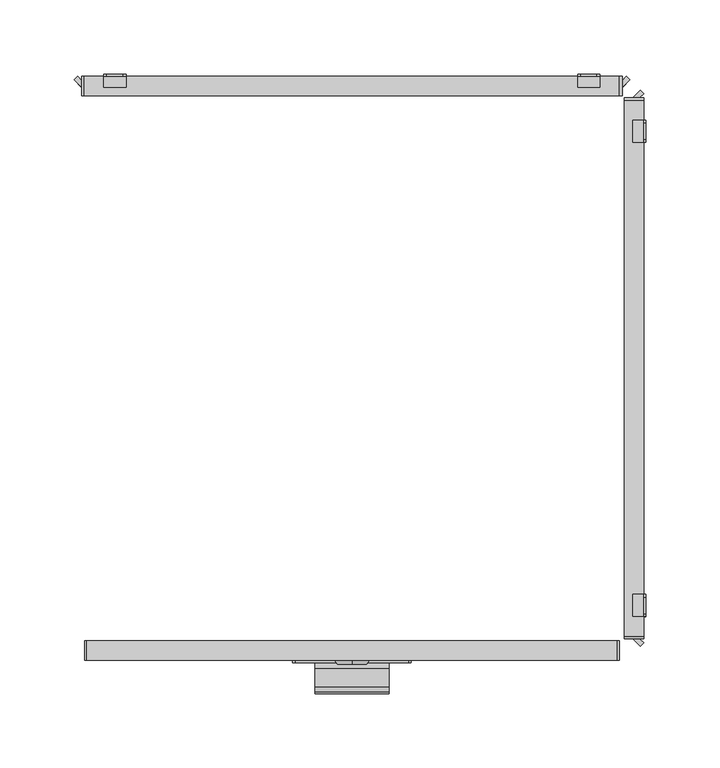
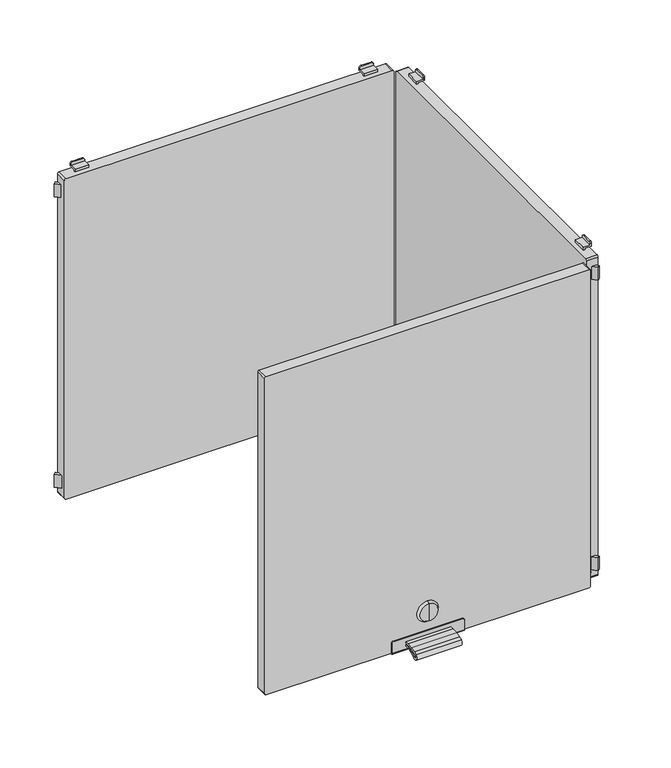
"""IFC4 building model written with IfcOpenShell, lengths in millimetres: furniture geometry."""

from ifc_helpers import new_model, si_unit, point, frame, frame_2d, origin, place, context, project, spatial, polyline, circle_curve, trimmed, segment, composite_curve, outline, extrude, source, transform, mapped, element, save
from ifc_brep_helpers import plane_surface, cylinder_surface, revolved_surface, advanced_brep


def furniture_576280f5(model_context):
    return source(origin(), model_context, "Body", "SolidModel", [
        extrude(outline(composite_curve([segment(polyline([(-202.226909, 1730.4286545), (-198.5, 1730.4286545), (-198.5, 1728.5286545), (-202.226909, 1728.5286545)]), True, "CONTINUOUS"), segment(trimmed(circle_curve(frame_2d((-202.226909, 1686.4886922)), 42.0399623), [point((-202.226909, 1728.5286545))], [point((-214.4555436, 1726.710812))], True, "CARTESIAN"), True, "CONTINUOUS"), segment(trimmed(circle_curve(frame_2d((-212.0259096, 1718.7193203)), 8.352668), [point((-214.4555436, 1726.710812))], [point((-216.9670362, 1725.4537341))], True, "CARTESIAN"), True, "CONTINUOUS"), segment(trimmed(circle_curve(frame_2d((-215.7726745, 1723.8259018)), 2.0189943), [point((-216.9670362, 1725.4537341))], [point((-214.4167634, 1722.3299595))], True, "CARTESIAN"), True, "CONTINUOUS"), segment(trimmed(circle_curve(frame_2d((-202.2269079, 1708.8812021)), 18.1510786), [point((-214.4167634, 1722.3299595))], [point((-202.2269079, 1727.0322806))], False, "CARTESIAN"), True, "CONTINUOUS"), segment(polyline([(-202.2269079, 1727.0322806), (-198.5, 1727.0322806), (-198.5, 1725.1322806), (-202.2269079, 1725.1322806)]), True, "CONTINUOUS"), segment(trimmed(circle_curve(frame_2d((-202.2269079, 1708.8812021)), 16.2510786), [point((-202.2269079, 1725.1322806))], [point((-213.1407662, 1720.9221843))], True, "CARTESIAN"), True, "CONTINUOUS"), segment(trimmed(circle_curve(frame_2d((-215.7726745, 1723.8259018)), 3.9189943), [point((-213.1407662, 1720.9221843))], [point((-218.0910053, 1726.9856263))], False, "CARTESIAN"), True, "CONTINUOUS"), segment(trimmed(circle_curve(frame_2d((-212.0259096, 1718.7193203)), 10.252668), [point((-218.0910053, 1726.9856263))], [point((-215.0082179, 1728.5286545))], False, "CARTESIAN"), True, "CONTINUOUS"), segment(trimmed(circle_curve(frame_2d((-202.226909, 1686.4886922)), 43.9399623), [point((-215.0082179, 1728.5286545))], [point((-202.226909, 1730.4286545))], False, "CARTESIAN"), True, "CONTINUOUS")], self_intersect=False)), frame((-25.0, 0.0, 0.0), z_axis=(1.0, 0.0, 0.0), x_axis=(0.0, 1.0, 0.0)), (0.0, 0.0, 1.0), 50.0),
        advanced_brep(
        [(0.0, -199.7, 1756.6837841), (0.0, -199.7, 1766.6265951), (0.0, -199.7, 1746.740973), (0.0, -197.0, 1744.8059292), (0.0, -197.0, 1768.5616389), (0.0, -197.0, 1756.6837841)],
        [
            (0, 1),
            (1, 2, circle_curve(frame((0.0, -199.7, 1756.6837841), z_axis=(0.0, -1.0, 0.0), x_axis=(0.0, 0.0, 1.0)), 9.9428111)),
            (2, 0),
            (2, 1, circle_curve(frame((0.0, -199.7, 1756.6837841), z_axis=(0.0, -1.0, 0.0), x_axis=(0.0, 0.0, 1.0)), 9.9428111)),
            (3, 4, circle_curve(frame((0.0, -197.0, 1756.6837841), z_axis=(0.0, 1.0, 0.0), x_axis=(0.0, 0.0, 1.0)), 11.8778548)),
            (4, 5),
            (5, 3),
            (4, 3, circle_curve(frame((0.0, -197.0, 1756.6837841), z_axis=(0.0, 1.0, 0.0), x_axis=(0.0, 0.0, 1.0)), 11.8778548)),
            (1, 4),
            (3, 2),
        ],
        [
            plane_surface(frame((0.0, -199.7, 1756.6837841), z_axis=(0.0, -1.0, 0.0), x_axis=(0.0, 0.0, 1.0))),
            plane_surface(frame((0.0, -197.0, 1756.6837841), z_axis=(0.0, 1.0, 0.0), x_axis=(0.0, 0.0, 1.0))),
            revolved_surface(polyline([(0.0, -197.0, 1768.5616389), (0.0, -199.7, 1766.6265951)]), (0.0, -202.2563621, 1756.6837841), (0.0, -1.0, 0.0)),
        ],
        [
            (0, [[1, 2, 3]]),
            (0, [[-3, 4, -1]]),
            (1, [[5, 6, 7]]),
            (1, [[8, -7, -6]]),
            (2, [[-2, 9, -5, 10]]),
            (2, [[-4, -10, -8, -9]]),
        ],
    ),
        advanced_brep(
        [(38.2, -198.5, 1735.0), (-38.2, -198.5, 1735.0), (-40.0, -198.5, 1733.2), (-40.0, -198.5, 1722.0), (40.0, -198.5, 1722.0), (40.0, -198.5, 1733.2), (38.2, -197.0, 1735.0), (40.0, -197.0, 1733.2), (40.0, -197.0, 1721.5), (-40.0, -197.0, 1721.5), (-40.0, -197.0, 1733.2), (-38.2, -197.0, 1735.0), (-40.0, -184.0, 1721.5), (-40.0, -184.0, 1720.0), (-40.0, -196.5, 1720.0), (40.0, -196.5, 1720.0), (40.0, -184.0, 1720.0), (40.0, -184.0, 1721.5)],
        [
            (0, 1),
            (1, 2, circle_curve(frame((-38.2, -198.5, 1733.2), z_axis=(0.0, -1.0, 0.0), x_axis=(1.0, 0.0, 0.0)), 1.8)),
            (2, 3),
            (3, 4),
            (4, 5),
            (5, 0, circle_curve(frame((38.2, -198.5, 1733.2), z_axis=(0.0, -1.0, 0.0), x_axis=(1.0, 0.0, 0.0)), 1.8)),
            (6, 7, circle_curve(frame((38.2, -197.0, 1733.2), z_axis=(0.0, 1.0, 0.0), x_axis=(1.0, 0.0, 0.0)), 1.8)),
            (7, 8),
            (8, 9),
            (9, 10),
            (10, 11, circle_curve(frame((-38.2, -197.0, 1733.2), z_axis=(0.0, 1.0, 0.0), x_axis=(1.0, 0.0, 0.0)), 1.8)),
            (11, 6),
            (0, 6),
            (11, 1),
            (10, 2),
            (9, 12),
            (12, 13),
            (13, 14),
            (14, 3, circle_curve(frame((-40.0, -196.5, 1722.0), z_axis=(-1.0, 0.0, 0.0), x_axis=(0.0, 1.0, 0.0)), 2.0)),
            (4, 15, circle_curve(frame((40.0, -196.5, 1722.0), z_axis=(1.0, 0.0, 0.0), x_axis=(0.0, 1.0, 0.0)), 2.0)),
            (15, 16),
            (16, 17),
            (17, 8),
            (7, 5),
            (15, 14),
            (13, 16),
            (12, 17),
        ],
        [
            plane_surface(frame((-40.0, -198.5, 1735.0), z_axis=(0.0, -1.0, 0.0), x_axis=(-1.0, 0.0, 0.0))),
            plane_surface(frame((-40.0, -197.0, 1735.0), z_axis=(0.0, 1.0, 0.0), x_axis=(1.0, 0.0, 0.0))),
            plane_surface(frame((38.2, -198.5, 1735.0), z_axis=(0.0, 0.0, 1.0), x_axis=(0.0, 1.0, 0.0))),
            cylinder_surface(frame((-38.2, -197.0, 1733.2), z_axis=(0.0, -1.0, 0.0), x_axis=(1.0, 0.0, 0.0)), 1.8),
            plane_surface(frame((-40.0, -198.5, 1733.2), z_axis=(-1.0, 0.0, 0.0), x_axis=(0.0, 1.0, 0.0))),
            plane_surface(frame((40.0, -198.5, 1724.5), z_axis=(1.0, 0.0, 0.0), x_axis=(0.0, 1.0, 0.0))),
            cylinder_surface(frame((38.2, -197.0, 1733.2), z_axis=(0.0, -1.0, 0.0), x_axis=(1.0, 0.0, 0.0)), 1.8),
            plane_surface(frame((40.0, -196.5, 1720.0), z_axis=(0.0, 0.0, -1.0), x_axis=(-1.0, 0.0, 0.0))),
            plane_surface(frame((40.0, -184.0, 1720.0), z_axis=(0.0, 1.0, 0.0), x_axis=(-1.0, 0.0, 0.0))),
            plane_surface(frame((40.0, -184.0, 1721.5), z_axis=(0.0, 0.0, 1.0), x_axis=(-1.0, 0.0, 0.0))),
            cylinder_surface(frame((-40.0, -196.5, 1722.0), z_axis=(1.0, 0.0, 0.0), x_axis=(0.0, 1.0, 0.0)), 2.0),
        ],
        [
            (0, [[1, 2, 3, 4, 5, 6]]),
            (1, [[7, 8, 9, 10, 11, 12]]),
            (2, [[-1, 13, -12, 14]]),
            (3, [[-2, -14, -11, 15]]),
            (4, [[-3, -15, -10, 16, 17, 18, 19]]),
            (5, [[-5, 20, 21, 22, 23, -8, 24]]),
            (6, [[-6, -24, -7, -13]]),
            (7, [[-21, 25, -18, 26]]),
            (8, [[-22, -26, -17, 27]]),
            (9, [[-23, -27, -16, -9]]),
            (10, [[-20, -4, -19, -25]]),
        ],
    ),
        extrude(outline(composite_curve([segment(polyline([(2093.5, 179.0), (2093.5, -179.0)]), True, "CONTINUOUS"), segment(trimmed(circle_curve(frame_2d((2092.0, -179.0)), 1.5), [point((2093.5, -179.0))], [point((2092.0, -180.5))], False, "CARTESIAN"), True, "CONTINUOUS"), segment(polyline([(2092.0, -180.5), (1723.0, -180.5)]), True, "CONTINUOUS"), segment(trimmed(circle_curve(frame_2d((1723.0, -179.0)), 1.5), [point((1723.0, -180.5))], [point((1721.5, -179.0))], False, "CARTESIAN"), True, "CONTINUOUS"), segment(polyline([(1721.5, -179.0), (1721.5, 179.0)]), True, "CONTINUOUS"), segment(trimmed(circle_curve(frame_2d((1723.0, 179.0)), 1.5), [point((1721.5, 179.0))], [point((1723.0, 180.5))], False, "CARTESIAN"), True, "CONTINUOUS"), segment(polyline([(1723.0, 180.5), (2092.0, 180.5)]), True, "CONTINUOUS"), segment(trimmed(circle_curve(frame_2d((2092.0, 179.0)), 1.5), [point((2092.0, 180.5))], [point((2093.5, 179.0))], False, "CARTESIAN"), True, "CONTINUOUS")], self_intersect=False)), frame((0.0, -197.0, 0.0), z_axis=(0.0, 1.0, 0.0), x_axis=(0.0, 0.0, 1.0)), (0.0, 0.0, 1.0), 13.0),
        advanced_brep(
        [(152.5, 197.0, 1715.5), (154.5, 197.0, 1713.5), (165.5, 197.0, 1713.5), (167.5, 197.0, 1715.5), (167.5, 197.0, 1717.0), (152.5, 197.0, 1717.0), (152.5, 198.5, 1718.5), (167.5, 198.5, 1718.5), (167.5, 198.5, 1715.5), (165.5, 198.5, 1713.5), (154.5, 198.5, 1713.5), (152.5, 198.5, 1715.5), (152.5, 189.5011497, 1717.0), (152.5, 189.5011497, 1720.0), (152.5, 191.0011497, 1720.0), (152.5, 191.0011497, 1718.5), (167.5, 191.0011497, 1718.5), (167.5, 191.0011497, 1720.0), (167.5, 189.5011497, 1720.0), (167.5, 189.5011497, 1717.0)],
        [
            (0, 1, circle_curve(frame((154.5, 197.0, 1715.5), z_axis=(0.0, -1.0, 0.0), x_axis=(1.0, 0.0, 0.0)), 2.0)),
            (1, 2),
            (2, 3, circle_curve(frame((165.5, 197.0, 1715.5), z_axis=(0.0, -1.0, 0.0), x_axis=(1.0, 0.0, 0.0)), 2.0)),
            (3, 4),
            (4, 5),
            (5, 0),
            (6, 7),
            (7, 8),
            (8, 9, circle_curve(frame((165.5, 198.5, 1715.5), z_axis=(0.0, 1.0, 0.0), x_axis=(1.0, 0.0, 0.0)), 2.0)),
            (9, 10),
            (10, 11, circle_curve(frame((154.5, 198.5, 1715.5), z_axis=(0.0, 1.0, 0.0), x_axis=(1.0, 0.0, 0.0)), 2.0)),
            (11, 6),
            (11, 0),
            (5, 12),
            (12, 13),
            (13, 14),
            (14, 15),
            (15, 6),
            (10, 1),
            (9, 2),
            (8, 3),
            (7, 16),
            (16, 17),
            (17, 18),
            (18, 19),
            (19, 4),
            (15, 16),
            (12, 19),
            (18, 13),
            (17, 14),
        ],
        [
            plane_surface(frame((152.5, 197.0, 1717.0), z_axis=(0.0, -1.0, 0.0), x_axis=(0.0, 0.0, -1.0))),
            plane_surface(frame((152.5, 198.5, 1717.0), z_axis=(0.0, 1.0, 0.0), x_axis=(0.0, 0.0, 1.0))),
            plane_surface(frame((152.5, 197.0, 1718.5), z_axis=(-1.0, 0.0, 0.0), x_axis=(0.0, 1.0, 0.0))),
            cylinder_surface(frame((154.5, 198.5, 1715.5), z_axis=(0.0, -1.0, 0.0), x_axis=(1.0, 0.0, 0.0)), 2.0),
            plane_surface(frame((154.5, 197.0, 1713.5), z_axis=(0.0, 0.0, -1.0), x_axis=(0.0, 1.0, 0.0))),
            cylinder_surface(frame((165.5, 198.5, 1715.5), z_axis=(0.0, -1.0, 0.0), x_axis=(1.0, 0.0, 0.0)), 2.0),
            plane_surface(frame((167.5, 197.0, 1715.5), z_axis=(1.0, 0.0, 0.0), x_axis=(0.0, 1.0, 0.0))),
            plane_surface(frame((167.5, 197.0, 1718.5), z_axis=(0.0, 0.0, 1.0), x_axis=(0.0, 1.0, 0.0))),
            plane_surface(frame((152.5, 189.5011497, 1717.0), z_axis=(0.0, -1.0, 0.0), x_axis=(1.0, 0.0, 0.0))),
            plane_surface(frame((152.5, 189.5011497, 1720.0), z_axis=(0.0, 0.0, 1.0), x_axis=(1.0, 0.0, 0.0))),
            plane_surface(frame((152.5, 191.0011497, 1720.0), z_axis=(0.0, 1.0, 0.0), x_axis=(1.0, 0.0, 0.0))),
            plane_surface(frame((152.5, 197.0, 1717.0), z_axis=(0.0, 0.0, -1.0), x_axis=(1.0, 0.0, 0.0))),
        ],
        [
            (0, [[1, 2, 3, 4, 5, 6]]),
            (1, [[7, 8, 9, 10, 11, 12]]),
            (2, [[-12, 13, -6, 14, 15, 16, 17, 18]]),
            (3, [[-1, -13, -11, 19]]),
            (4, [[-2, -19, -10, 20]]),
            (5, [[-3, -20, -9, 21]]),
            (6, [[-8, 22, 23, 24, 25, 26, -4, -21]]),
            (7, [[-22, -7, -18, 27]]),
            (8, [[-15, 28, -25, 29]]),
            (9, [[-16, -29, -24, 30]]),
            (10, [[-17, -30, -23, -27]]),
            (11, [[-14, -5, -26, -28]]),
        ],
    ),
        advanced_brep(
        [(-167.5, 197.0, 1715.5), (-165.5, 197.0, 1713.5), (-154.5, 197.0, 1713.5), (-152.5, 197.0, 1715.5), (-152.5, 197.0, 1717.0), (-167.5, 197.0, 1717.0), (-152.5, 198.5, 1718.5), (-152.5, 198.5, 1715.5), (-154.5, 198.5, 1713.5), (-165.5, 198.5, 1713.5), (-167.5, 198.5, 1715.5), (-167.5, 198.5, 1718.5), (-167.5, 191.0011497, 1718.5), (-152.5, 191.0011497, 1718.5), (-167.5, 189.5011497, 1717.0), (-167.5, 189.5011497, 1720.0), (-167.5, 191.0011497, 1720.0), (-152.5, 191.0011497, 1720.0), (-152.5, 189.5011497, 1720.0), (-152.5, 189.5011497, 1717.0)],
        [
            (0, 1, circle_curve(frame((-165.5, 197.0, 1715.5), z_axis=(0.0, -1.0, 0.0), x_axis=(1.0, 0.0, 0.0)), 2.0)),
            (1, 2),
            (2, 3, circle_curve(frame((-154.5, 197.0, 1715.5), z_axis=(0.0, -1.0, 0.0), x_axis=(1.0, 0.0, 0.0)), 2.0)),
            (3, 4),
            (4, 5),
            (5, 0),
            (6, 7),
            (7, 8, circle_curve(frame((-154.5, 198.5, 1715.5), z_axis=(0.0, 1.0, 0.0), x_axis=(1.0, 0.0, 0.0)), 2.0)),
            (8, 9),
            (9, 10, circle_curve(frame((-165.5, 198.5, 1715.5), z_axis=(0.0, 1.0, 0.0), x_axis=(1.0, 0.0, 0.0)), 2.0)),
            (10, 11),
            (11, 6),
            (11, 12),
            (12, 13),
            (13, 6),
            (10, 0),
            (5, 14),
            (14, 15),
            (15, 16),
            (16, 12),
            (9, 1),
            (8, 2),
            (7, 3),
            (13, 17),
            (17, 18),
            (18, 19),
            (19, 4),
            (18, 15),
            (14, 19),
            (17, 16),
        ],
        [
            plane_surface(frame((152.5, 197.0, 1717.0), z_axis=(0.0, -1.0, 0.0), x_axis=(0.0, 0.0, -1.0))),
            plane_surface(frame((152.5, 198.5, 1717.0), z_axis=(0.0, 1.0, 0.0), x_axis=(0.0, 0.0, 1.0))),
            plane_surface(frame((-152.5, 197.0, 1718.5), z_axis=(0.0, 0.0, 1.0), x_axis=(0.0, 1.0, 0.0))),
            plane_surface(frame((-167.5, 197.0, 1718.5), z_axis=(-1.0, 0.0, 0.0), x_axis=(0.0, 1.0, 0.0))),
            cylinder_surface(frame((-165.5, 200.0, 1715.5), z_axis=(0.0, -1.0, 0.0), x_axis=(1.0, 0.0, 0.0)), 2.0),
            plane_surface(frame((-165.5, 197.0, 1713.5), z_axis=(0.0, 0.0, -1.0), x_axis=(0.0, 1.0, 0.0))),
            cylinder_surface(frame((-154.5, 200.0, 1715.5), z_axis=(0.0, -1.0, 0.0), x_axis=(1.0, 0.0, 0.0)), 2.0),
            plane_surface(frame((-152.5, 197.0, 1715.5), z_axis=(1.0, 0.0, 0.0), x_axis=(0.0, 1.0, 0.0))),
            plane_surface(frame((-152.5, 189.5011497, 1720.0), z_axis=(0.0, -1.0, 0.0), x_axis=(-1.0, 0.0, 0.0))),
            plane_surface(frame((-152.5, 191.0011497, 1720.0), z_axis=(0.0, 0.0, 1.0), x_axis=(-1.0, 0.0, 0.0))),
            plane_surface(frame((-152.5, 191.0011497, 1718.5), z_axis=(0.0, 1.0, 0.0), x_axis=(-1.0, 0.0, 0.0))),
            plane_surface(frame((-152.5, 189.5011497, 1717.0), z_axis=(0.0, 0.0, -1.0), x_axis=(-1.0, 0.0, 0.0))),
        ],
        [
            (0, [[1, 2, 3, 4, 5, 6]]),
            (1, [[7, 8, 9, 10, 11, 12]]),
            (2, [[-12, 13, 14, 15]]),
            (3, [[-11, 16, -6, 17, 18, 19, 20, -13]]),
            (4, [[-1, -16, -10, 21]]),
            (5, [[-2, -21, -9, 22]]),
            (6, [[-3, -22, -8, 23]]),
            (7, [[-7, -15, 24, 25, 26, 27, -4, -23]]),
            (8, [[-26, 28, -18, 29]]),
            (9, [[-25, 30, -19, -28]]),
            (10, [[-24, -14, -20, -30]]),
            (11, [[-27, -29, -17, -5]]),
        ],
    ),
        advanced_brep(
        [(167.5, 197.0, 2099.5), (165.5, 197.0, 2101.5), (154.5, 197.0, 2101.5), (152.5, 197.0, 2099.5), (152.5, 197.0, 2098.0), (167.5, 197.0, 2098.0), (152.5, 198.5, 2096.5), (152.5, 198.5, 2099.5), (154.5, 198.5, 2101.5), (165.5, 198.5, 2101.5), (167.5, 198.5, 2099.5), (167.5, 198.5, 2096.5), (152.5, 189.5011497, 2098.0), (152.5, 191.0011497, 2096.5), (152.5, 191.0011497, 2095.0), (152.5, 189.5011497, 2095.0), (167.5, 189.5011497, 2098.0), (167.5, 189.5011497, 2095.0), (167.5, 191.0011497, 2095.0), (167.5, 191.0011497, 2096.5)],
        [
            (0, 1, circle_curve(frame((165.5, 197.0, 2099.5), z_axis=(0.0, -1.0, 0.0), x_axis=(1.0, 0.0, 0.0)), 2.0)),
            (1, 2),
            (2, 3, circle_curve(frame((154.5, 197.0, 2099.5), z_axis=(0.0, -1.0, 0.0), x_axis=(1.0, 0.0, 0.0)), 2.0)),
            (3, 4),
            (4, 5),
            (5, 0),
            (6, 7),
            (7, 8, circle_curve(frame((154.5, 198.5, 2099.5), z_axis=(0.0, 1.0, 0.0), x_axis=(1.0, 0.0, 0.0)), 2.0)),
            (8, 9),
            (9, 10, circle_curve(frame((165.5, 198.5, 2099.5), z_axis=(0.0, 1.0, 0.0), x_axis=(1.0, 0.0, 0.0)), 2.0)),
            (10, 11),
            (11, 6),
            (12, 4),
            (3, 7),
            (6, 13),
            (13, 14),
            (14, 15),
            (15, 12),
            (16, 17),
            (17, 18),
            (18, 19),
            (19, 11),
            (10, 0),
            (5, 16),
            (19, 13),
            (9, 1),
            (8, 2),
            (12, 16),
            (18, 14),
            (17, 15),
        ],
        [
            plane_surface(frame((152.5, 197.0, 1717.0), z_axis=(0.0, -1.0, 0.0), x_axis=(0.0, 0.0, -1.0))),
            plane_surface(frame((152.5, 198.5, 1717.0), z_axis=(0.0, 1.0, 0.0), x_axis=(0.0, 0.0, 1.0))),
            plane_surface(frame((152.5, 197.0, 1718.5), z_axis=(-1.0, 0.0, 0.0), x_axis=(0.0, 1.0, 0.0))),
            plane_surface(frame((167.5, 197.0, 1715.5), z_axis=(1.0, 0.0, 0.0), x_axis=(0.0, 1.0, 0.0))),
            plane_surface(frame((152.5, 197.0, 2096.5), z_axis=(0.0, 0.0, -1.0), x_axis=(0.0, 1.0, 0.0))),
            cylinder_surface(frame((165.5, 200.0, 2099.5), z_axis=(0.0, -1.0, 0.0), x_axis=(1.0, 0.0, 0.0)), 2.0),
            plane_surface(frame((165.5, 197.0, 2101.5), z_axis=(0.0, 0.0, 1.0), x_axis=(0.0, 1.0, 0.0))),
            cylinder_surface(frame((154.5, 200.0, 2099.5), z_axis=(0.0, -1.0, 0.0), x_axis=(1.0, 0.0, 0.0)), 2.0),
            plane_surface(frame((152.5, 189.5011497, 2098.0), z_axis=(0.0, 0.0, 1.0), x_axis=(1.0, 0.0, 0.0))),
            plane_surface(frame((152.5, 191.0011497, 2096.5), z_axis=(0.0, 1.0, 0.0), x_axis=(1.0, 0.0, 0.0))),
            plane_surface(frame((152.5, 191.0011497, 2095.0), z_axis=(0.0, 0.0, -1.0), x_axis=(1.0, 0.0, 0.0))),
            plane_surface(frame((152.5, 189.5011497, 2095.0), z_axis=(0.0, -1.0, 0.0), x_axis=(1.0, 0.0, 0.0))),
        ],
        [
            (0, [[1, 2, 3, 4, 5, 6]]),
            (1, [[7, 8, 9, 10, 11, 12]]),
            (2, [[13, -4, 14, -7, 15, 16, 17, 18]]),
            (3, [[19, 20, 21, 22, -11, 23, -6, 24]]),
            (4, [[-15, -12, -22, 25]]),
            (5, [[-1, -23, -10, 26]]),
            (6, [[-2, -26, -9, 27]]),
            (7, [[-3, -27, -8, -14]]),
            (8, [[-13, 28, -24, -5]]),
            (9, [[-16, -25, -21, 29]]),
            (10, [[-17, -29, -20, 30]]),
            (11, [[-18, -30, -19, -28]]),
        ],
    ),
        advanced_brep(
        [(-152.5, 197.0, 2099.5), (-154.5, 197.0, 2101.5), (-165.5, 197.0, 2101.5), (-167.5, 197.0, 2099.5), (-167.5, 197.0, 2098.0), (-152.5, 197.0, 2098.0), (-152.5, 198.5, 2096.5), (-167.5, 198.5, 2096.5), (-167.5, 198.5, 2099.5), (-165.5, 198.5, 2101.5), (-154.5, 198.5, 2101.5), (-152.5, 198.5, 2099.5), (-167.5, 191.0011497, 2096.5), (-167.5, 191.0011497, 2095.0), (-167.5, 189.5011497, 2095.0), (-167.5, 189.5011497, 2098.0), (-152.5, 189.5011497, 2098.0), (-152.5, 189.5011497, 2095.0), (-152.5, 191.0011497, 2095.0), (-152.5, 191.0011497, 2096.5)],
        [
            (0, 1, circle_curve(frame((-154.5, 197.0, 2099.5), z_axis=(0.0, -1.0, 0.0), x_axis=(1.0, 0.0, 0.0)), 2.0)),
            (1, 2),
            (2, 3, circle_curve(frame((-165.5, 197.0, 2099.5), z_axis=(0.0, -1.0, 0.0), x_axis=(1.0, 0.0, 0.0)), 2.0)),
            (3, 4),
            (4, 5),
            (5, 0),
            (6, 7),
            (7, 8),
            (8, 9, circle_curve(frame((-165.5, 198.5, 2099.5), z_axis=(0.0, 1.0, 0.0), x_axis=(1.0, 0.0, 0.0)), 2.0)),
            (9, 10),
            (10, 11, circle_curve(frame((-154.5, 198.5, 2099.5), z_axis=(0.0, 1.0, 0.0), x_axis=(1.0, 0.0, 0.0)), 2.0)),
            (11, 6),
            (7, 12),
            (12, 13),
            (13, 14),
            (14, 15),
            (15, 4),
            (3, 8),
            (11, 0),
            (5, 16),
            (16, 17),
            (17, 18),
            (18, 19),
            (19, 6),
            (10, 1),
            (9, 2),
            (19, 12),
            (15, 16),
            (18, 13),
            (17, 14),
        ],
        [
            plane_surface(frame((152.5, 197.0, 1717.0), z_axis=(0.0, -1.0, 0.0), x_axis=(0.0, 0.0, -1.0))),
            plane_surface(frame((152.5, 198.5, 1717.0), z_axis=(0.0, 1.0, 0.0), x_axis=(0.0, 0.0, 1.0))),
            plane_surface(frame((-167.5, 197.0, 1718.5), z_axis=(-1.0, 0.0, 0.0), x_axis=(0.0, 1.0, 0.0))),
            plane_surface(frame((-152.5, 197.0, 1715.5), z_axis=(1.0, 0.0, 0.0), x_axis=(0.0, 1.0, 0.0))),
            cylinder_surface(frame((-154.5, 200.0, 2099.5), z_axis=(0.0, -1.0, 0.0), x_axis=(1.0, 0.0, 0.0)), 2.0),
            plane_surface(frame((-154.5, 197.0, 2101.5), z_axis=(0.0, 0.0, 1.0), x_axis=(0.0, 1.0, 0.0))),
            cylinder_surface(frame((-165.5, 200.0, 2099.5), z_axis=(0.0, -1.0, 0.0), x_axis=(1.0, 0.0, 0.0)), 2.0),
            plane_surface(frame((-167.5, 197.0, 2096.5), z_axis=(0.0, 0.0, -1.0), x_axis=(0.0, 1.0, 0.0))),
            plane_surface(frame((-152.5, 197.0, 2098.0), z_axis=(0.0, 0.0, 1.0), x_axis=(-1.0, 0.0, 0.0))),
            plane_surface(frame((-152.5, 191.0011497, 2095.0), z_axis=(0.0, 1.0, 0.0), x_axis=(-1.0, 0.0, 0.0))),
            plane_surface(frame((-152.5, 189.5011497, 2095.0), z_axis=(0.0, 0.0, -1.0), x_axis=(-1.0, 0.0, 0.0))),
            plane_surface(frame((-152.5, 189.5011497, 2098.0), z_axis=(0.0, -1.0, 0.0), x_axis=(-1.0, 0.0, 0.0))),
        ],
        [
            (0, [[1, 2, 3, 4, 5, 6]]),
            (1, [[7, 8, 9, 10, 11, 12]]),
            (2, [[-8, 13, 14, 15, 16, 17, -4, 18]]),
            (3, [[-12, 19, -6, 20, 21, 22, 23, 24]]),
            (4, [[-1, -19, -11, 25]]),
            (5, [[-2, -25, -10, 26]]),
            (6, [[-3, -26, -9, -18]]),
            (7, [[-7, -24, 27, -13]]),
            (8, [[-20, -5, -17, 28]]),
            (9, [[-23, 29, -14, -27]]),
            (10, [[-22, 30, -15, -29]]),
            (11, [[-21, -28, -16, -30]]),
        ],
    ),
        extrude(outline(polyline([(-185.3223305, 197.0), (-182.5, 194.1776695), (-182.5, 189.5011497), (-187.6605904, 194.6617401), (-185.3223305, 197.0)])), frame((0.0, 0.0, 1730.0), z_axis=(0.0, 0.0, 1.0), x_axis=(1.0, 0.0, 0.0)), (0.0, 0.0, 1.0), 15.0),
        extrude(outline(polyline([(185.3223305, 197.0), (187.6605904, 194.6617401), (182.5, 189.5011497), (182.5, 194.1776695), (185.3223305, 197.0)])), frame((0.0, 0.0, 1730.0), z_axis=(0.0, 0.0, 1.0), x_axis=(1.0, 0.0, 0.0)), (0.0, 0.0, 1.0), 15.0),
        extrude(outline(composite_curve([segment(trimmed(circle_curve(frame_2d((2093.2, 180.7)), 1.8), [point((2093.2, 182.5))], [point((2095.0, 180.7))], False, "CARTESIAN"), True, "CONTINUOUS"), segment(polyline([(2095.0, 180.7), (2095.0, -180.7)]), True, "CONTINUOUS"), segment(trimmed(circle_curve(frame_2d((2093.2, -180.7)), 1.8), [point((2095.0, -180.7))], [point((2093.2, -182.5))], False, "CARTESIAN"), True, "CONTINUOUS"), segment(polyline([(2093.2, -182.5), (1721.8, -182.5)]), True, "CONTINUOUS"), segment(trimmed(circle_curve(frame_2d((1721.8, -180.7)), 1.8), [point((1721.8, -182.5))], [point((1720.0, -180.7))], False, "CARTESIAN"), True, "CONTINUOUS"), segment(polyline([(1720.0, -180.7), (1720.0, 180.7)]), True, "CONTINUOUS"), segment(trimmed(circle_curve(frame_2d((1721.8, 180.7)), 1.8), [point((1720.0, 180.7))], [point((1721.8, 182.5))], False, "CARTESIAN"), True, "CONTINUOUS"), segment(polyline([(1721.8, 182.5), (2093.2, 182.5)]), True, "CONTINUOUS")], self_intersect=False)), frame((0.0, 183.999795, 0.0), z_axis=(0.0, 1.0, 0.0), x_axis=(0.0, 0.0, 1.0)), (0.0, 0.0, 1.0), 13.000205),
        extrude(outline(polyline([(-185.3223305, 197.0), (-182.5, 194.1776695), (-182.5, 189.5011497), (-187.6605904, 194.6617401), (-185.3223305, 197.0)])), frame((0.0, 0.0, 2070.0), z_axis=(0.0, 0.0, 1.0), x_axis=(1.0, 0.0, 0.0)), (0.0, 0.0, 1.0), 15.0),
        extrude(outline(polyline([(185.3223305, 197.0), (187.6605904, 194.6617401), (182.5, 189.5011497), (182.5, 194.1776695), (185.3223305, 197.0)])), frame((0.0, 0.0, 2070.0), z_axis=(0.0, 0.0, 1.0), x_axis=(1.0, 0.0, 0.0)), (0.0, 0.0, 1.0), 15.0),
        advanced_brep(
        [(197.0, 152.5, 1715.5), (197.0, 152.5, 1717.0), (197.0, 167.5, 1717.0), (197.0, 167.5, 1715.5), (197.0, 165.5, 1713.5), (197.0, 154.5, 1713.5), (198.5, 152.5, 1718.5), (198.5, 152.5, 1715.5), (198.5, 154.5, 1713.5), (198.5, 165.5, 1713.5), (198.5, 167.5, 1715.5), (198.5, 167.5, 1718.5), (191.0011497, 152.5, 1718.5), (191.0011497, 152.5, 1720.0), (189.5011497, 152.5, 1720.0), (189.5011497, 152.5, 1717.0), (189.5011497, 167.5, 1717.0), (189.5011497, 167.5, 1720.0), (191.0011497, 167.5, 1720.0), (191.0011497, 167.5, 1718.5)],
        [
            (0, 1),
            (1, 2),
            (2, 3),
            (3, 4, circle_curve(frame((197.0, 165.5, 1715.5), z_axis=(-1.0, 0.0, 0.0), x_axis=(0.0, 1.0, 0.0)), 2.0)),
            (4, 5),
            (5, 0, circle_curve(frame((197.0, 154.5, 1715.5), z_axis=(-1.0, 0.0, 0.0), x_axis=(0.0, 1.0, 0.0)), 2.0)),
            (6, 7),
            (7, 8, circle_curve(frame((198.5, 154.5, 1715.5), z_axis=(1.0, 0.0, 0.0), x_axis=(0.0, 1.0, 0.0)), 2.0)),
            (8, 9),
            (9, 10, circle_curve(frame((198.5, 165.5, 1715.5), z_axis=(1.0, 0.0, 0.0), x_axis=(0.0, 1.0, 0.0)), 2.0)),
            (10, 11),
            (11, 6),
            (6, 12),
            (12, 13),
            (13, 14),
            (14, 15),
            (15, 1),
            (0, 7),
            (5, 8),
            (4, 9),
            (3, 10),
            (2, 16),
            (16, 17),
            (17, 18),
            (18, 19),
            (19, 11),
            (19, 12),
            (14, 17),
            (16, 15),
            (13, 18),
        ],
        [
            plane_surface(frame((197.0, 152.5, 1717.0), z_axis=(-1.0, 0.0, 0.0), x_axis=(0.0, 0.0, -1.0))),
            plane_surface(frame((198.5, 152.5, 1717.0), z_axis=(1.0, 0.0, 0.0), x_axis=(0.0, 0.0, 1.0))),
            plane_surface(frame((197.0, 152.5, 1718.5), z_axis=(0.0, -1.0, 0.0), x_axis=(1.0, 0.0, 0.0))),
            cylinder_surface(frame((198.5, 154.5, 1715.5), z_axis=(-1.0, 0.0, 0.0), x_axis=(0.0, 1.0, 0.0)), 2.0),
            plane_surface(frame((197.0, 154.5, 1713.5), z_axis=(0.0, 0.0, -1.0), x_axis=(1.0, 0.0, 0.0))),
            cylinder_surface(frame((198.5, 165.5, 1715.5), z_axis=(-1.0, 0.0, 0.0), x_axis=(0.0, 1.0, 0.0)), 2.0),
            plane_surface(frame((197.0, 167.5, 1715.5), z_axis=(0.0, 1.0, 0.0), x_axis=(1.0, 0.0, 0.0))),
            plane_surface(frame((197.0, 167.5, 1718.5), z_axis=(0.0, 0.0, 1.0), x_axis=(1.0, 0.0, 0.0))),
            plane_surface(frame((189.5011497, 152.5, 1717.0), z_axis=(-1.0, 0.0, 0.0), x_axis=(0.0, 1.0, 0.0))),
            plane_surface(frame((189.5011497, 152.5, 1720.0), z_axis=(0.0, 0.0, 1.0), x_axis=(0.0, 1.0, 0.0))),
            plane_surface(frame((191.0011497, 152.5, 1720.0), z_axis=(1.0, 0.0, 0.0), x_axis=(0.0, 1.0, 0.0))),
            plane_surface(frame((197.0, 152.5, 1717.0), z_axis=(0.0, 0.0, -1.0), x_axis=(0.0, 1.0, 0.0))),
        ],
        [
            (0, [[1, 2, 3, 4, 5, 6]]),
            (1, [[7, 8, 9, 10, 11, 12]]),
            (2, [[13, 14, 15, 16, 17, -1, 18, -7]]),
            (3, [[19, -8, -18, -6]]),
            (4, [[20, -9, -19, -5]]),
            (5, [[21, -10, -20, -4]]),
            (6, [[-21, -3, 22, 23, 24, 25, 26, -11]]),
            (7, [[27, -13, -12, -26]]),
            (8, [[28, -23, 29, -16]]),
            (9, [[30, -24, -28, -15]]),
            (10, [[-27, -25, -30, -14]]),
            (11, [[-29, -22, -2, -17]]),
        ],
    ),
        advanced_brep(
        [(197.0, -167.5, 1715.5), (197.0, -167.5, 1717.0), (197.0, -152.5, 1717.0), (197.0, -152.5, 1715.5), (197.0, -154.5, 1713.5), (197.0, -165.5, 1713.5), (198.5, -152.5, 1718.5), (198.5, -167.5, 1718.5), (198.5, -167.5, 1715.5), (198.5, -165.5, 1713.5), (198.5, -154.5, 1713.5), (198.5, -152.5, 1715.5), (191.0011497, -152.5, 1718.5), (191.0011497, -167.5, 1718.5), (191.0011497, -167.5, 1720.0), (189.5011497, -167.5, 1720.0), (189.5011497, -167.5, 1717.0), (189.5011497, -152.5, 1717.0), (189.5011497, -152.5, 1720.0), (191.0011497, -152.5, 1720.0)],
        [
            (0, 1),
            (1, 2),
            (2, 3),
            (3, 4, circle_curve(frame((197.0, -154.5, 1715.5), z_axis=(-1.0, 0.0, 0.0), x_axis=(0.0, 1.0, 0.0)), 2.0)),
            (4, 5),
            (5, 0, circle_curve(frame((197.0, -165.5, 1715.5), z_axis=(-1.0, 0.0, 0.0), x_axis=(0.0, 1.0, 0.0)), 2.0)),
            (6, 7),
            (7, 8),
            (8, 9, circle_curve(frame((198.5, -165.5, 1715.5), z_axis=(1.0, 0.0, 0.0), x_axis=(0.0, 1.0, 0.0)), 2.0)),
            (9, 10),
            (10, 11, circle_curve(frame((198.5, -154.5, 1715.5), z_axis=(1.0, 0.0, 0.0), x_axis=(0.0, 1.0, 0.0)), 2.0)),
            (11, 6),
            (6, 12),
            (12, 13),
            (13, 7),
            (13, 14),
            (14, 15),
            (15, 16),
            (16, 1),
            (0, 8),
            (5, 9),
            (4, 10),
            (3, 11),
            (2, 17),
            (17, 18),
            (18, 19),
            (19, 12),
            (17, 16),
            (15, 18),
            (14, 19),
        ],
        [
            plane_surface(frame((197.0, 152.5, 1717.0), z_axis=(-1.0, 0.0, 0.0), x_axis=(0.0, 0.0, -1.0))),
            plane_surface(frame((198.5, 152.5, 1717.0), z_axis=(1.0, 0.0, 0.0), x_axis=(0.0, 0.0, 1.0))),
            plane_surface(frame((197.0, -152.5, 1718.5), z_axis=(0.0, 0.0, 1.0), x_axis=(1.0, 0.0, 0.0))),
            plane_surface(frame((197.0, -167.5, 1718.5), z_axis=(0.0, -1.0, 0.0), x_axis=(1.0, 0.0, 0.0))),
            cylinder_surface(frame((200.0, -165.5, 1715.5), z_axis=(-1.0, 0.0, 0.0), x_axis=(0.0, 1.0, 0.0)), 2.0),
            plane_surface(frame((197.0, -165.5, 1713.5), z_axis=(0.0, 0.0, -1.0), x_axis=(1.0, 0.0, 0.0))),
            cylinder_surface(frame((200.0, -154.5, 1715.5), z_axis=(-1.0, 0.0, 0.0), x_axis=(0.0, 1.0, 0.0)), 2.0),
            plane_surface(frame((197.0, -152.5, 1715.5), z_axis=(0.0, 1.0, 0.0), x_axis=(1.0, 0.0, 0.0))),
            plane_surface(frame((189.5011497, -152.5, 1720.0), z_axis=(-1.0, 0.0, 0.0), x_axis=(0.0, -1.0, 0.0))),
            plane_surface(frame((191.0011497, -152.5, 1720.0), z_axis=(0.0, 0.0, 1.0), x_axis=(0.0, -1.0, 0.0))),
            plane_surface(frame((191.0011497, -152.5, 1718.5), z_axis=(1.0, 0.0, 0.0), x_axis=(0.0, -1.0, 0.0))),
            plane_surface(frame((189.5011497, -152.5, 1717.0), z_axis=(0.0, 0.0, -1.0), x_axis=(0.0, -1.0, 0.0))),
        ],
        [
            (0, [[1, 2, 3, 4, 5, 6]]),
            (1, [[7, 8, 9, 10, 11, 12]]),
            (2, [[13, 14, 15, -7]]),
            (3, [[-15, 16, 17, 18, 19, -1, 20, -8]]),
            (4, [[21, -9, -20, -6]]),
            (5, [[22, -10, -21, -5]]),
            (6, [[23, -11, -22, -4]]),
            (7, [[-23, -3, 24, 25, 26, 27, -13, -12]]),
            (8, [[28, -18, 29, -25]]),
            (9, [[-29, -17, 30, -26]]),
            (10, [[-30, -16, -14, -27]]),
            (11, [[-2, -19, -28, -24]]),
        ],
    ),
        advanced_brep(
        [(197.0, 167.5, 2099.5), (197.0, 167.5, 2098.0), (197.0, 152.5, 2098.0), (197.0, 152.5, 2099.5), (197.0, 154.5, 2101.5), (197.0, 165.5, 2101.5), (198.5, 152.5, 2096.5), (198.5, 167.5, 2096.5), (198.5, 167.5, 2099.5), (198.5, 165.5, 2101.5), (198.5, 154.5, 2101.5), (198.5, 152.5, 2099.5), (189.5011497, 152.5, 2098.0), (189.5011497, 152.5, 2095.0), (191.0011497, 152.5, 2095.0), (191.0011497, 152.5, 2096.5), (189.5011497, 167.5, 2098.0), (191.0011497, 167.5, 2096.5), (191.0011497, 167.5, 2095.0), (189.5011497, 167.5, 2095.0)],
        [
            (0, 1),
            (1, 2),
            (2, 3),
            (3, 4, circle_curve(frame((197.0, 154.5, 2099.5), z_axis=(-1.0, 0.0, 0.0), x_axis=(0.0, 1.0, 0.0)), 2.0)),
            (4, 5),
            (5, 0, circle_curve(frame((197.0, 165.5, 2099.5), z_axis=(-1.0, 0.0, 0.0), x_axis=(0.0, 1.0, 0.0)), 2.0)),
            (6, 7),
            (7, 8),
            (8, 9, circle_curve(frame((198.5, 165.5, 2099.5), z_axis=(1.0, 0.0, 0.0), x_axis=(0.0, 1.0, 0.0)), 2.0)),
            (9, 10),
            (10, 11, circle_curve(frame((198.5, 154.5, 2099.5), z_axis=(1.0, 0.0, 0.0), x_axis=(0.0, 1.0, 0.0)), 2.0)),
            (11, 6),
            (12, 13),
            (13, 14),
            (14, 15),
            (15, 6),
            (11, 3),
            (2, 12),
            (16, 1),
            (0, 8),
            (7, 17),
            (17, 18),
            (18, 19),
            (19, 16),
            (15, 17),
            (5, 9),
            (4, 10),
            (16, 12),
            (14, 18),
            (13, 19),
        ],
        [
            plane_surface(frame((197.0, 152.5, 1717.0), z_axis=(-1.0, 0.0, 0.0), x_axis=(0.0, 0.0, -1.0))),
            plane_surface(frame((198.5, 152.5, 1717.0), z_axis=(1.0, 0.0, 0.0), x_axis=(0.0, 0.0, 1.0))),
            plane_surface(frame((197.0, 152.5, 1718.5), z_axis=(0.0, -1.0, 0.0), x_axis=(1.0, 0.0, 0.0))),
            plane_surface(frame((197.0, 167.5, 1715.5), z_axis=(0.0, 1.0, 0.0), x_axis=(1.0, 0.0, 0.0))),
            plane_surface(frame((197.0, 152.5, 2096.5), z_axis=(0.0, 0.0, -1.0), x_axis=(1.0, 0.0, 0.0))),
            cylinder_surface(frame((200.0, 165.5, 2099.5), z_axis=(-1.0, 0.0, 0.0), x_axis=(0.0, 1.0, 0.0)), 2.0),
            plane_surface(frame((197.0, 165.5, 2101.5), z_axis=(0.0, 0.0, 1.0), x_axis=(1.0, 0.0, 0.0))),
            cylinder_surface(frame((200.0, 154.5, 2099.5), z_axis=(-1.0, 0.0, 0.0), x_axis=(0.0, 1.0, 0.0)), 2.0),
            plane_surface(frame((189.5011497, 152.5, 2098.0), z_axis=(0.0, 0.0, 1.0), x_axis=(0.0, 1.0, 0.0))),
            plane_surface(frame((191.0011497, 152.5, 2096.5), z_axis=(1.0, 0.0, 0.0), x_axis=(0.0, 1.0, 0.0))),
            plane_surface(frame((191.0011497, 152.5, 2095.0), z_axis=(0.0, 0.0, -1.0), x_axis=(0.0, 1.0, 0.0))),
            plane_surface(frame((189.5011497, 152.5, 2095.0), z_axis=(-1.0, 0.0, 0.0), x_axis=(0.0, 1.0, 0.0))),
        ],
        [
            (0, [[1, 2, 3, 4, 5, 6]]),
            (1, [[7, 8, 9, 10, 11, 12]]),
            (2, [[13, 14, 15, 16, -12, 17, -3, 18]]),
            (3, [[19, -1, 20, -8, 21, 22, 23, 24]]),
            (4, [[25, -21, -7, -16]]),
            (5, [[26, -9, -20, -6]]),
            (6, [[27, -10, -26, -5]]),
            (7, [[-17, -11, -27, -4]]),
            (8, [[-2, -19, 28, -18]]),
            (9, [[29, -22, -25, -15]]),
            (10, [[30, -23, -29, -14]]),
            (11, [[-28, -24, -30, -13]]),
        ],
    ),
        advanced_brep(
        [(197.0, -152.5, 2099.5), (197.0, -152.5, 2098.0), (197.0, -167.5, 2098.0), (197.0, -167.5, 2099.5), (197.0, -165.5, 2101.5), (197.0, -154.5, 2101.5), (198.5, -152.5, 2096.5), (198.5, -152.5, 2099.5), (198.5, -154.5, 2101.5), (198.5, -165.5, 2101.5), (198.5, -167.5, 2099.5), (198.5, -167.5, 2096.5), (189.5011497, -167.5, 2098.0), (189.5011497, -167.5, 2095.0), (191.0011497, -167.5, 2095.0), (191.0011497, -167.5, 2096.5), (191.0011497, -152.5, 2096.5), (191.0011497, -152.5, 2095.0), (189.5011497, -152.5, 2095.0), (189.5011497, -152.5, 2098.0)],
        [
            (0, 1),
            (1, 2),
            (2, 3),
            (3, 4, circle_curve(frame((197.0, -165.5, 2099.5), z_axis=(-1.0, 0.0, 0.0), x_axis=(0.0, 1.0, 0.0)), 2.0)),
            (4, 5),
            (5, 0, circle_curve(frame((197.0, -154.5, 2099.5), z_axis=(-1.0, 0.0, 0.0), x_axis=(0.0, 1.0, 0.0)), 2.0)),
            (6, 7),
            (7, 8, circle_curve(frame((198.5, -154.5, 2099.5), z_axis=(1.0, 0.0, 0.0), x_axis=(0.0, 1.0, 0.0)), 2.0)),
            (8, 9),
            (9, 10, circle_curve(frame((198.5, -165.5, 2099.5), z_axis=(1.0, 0.0, 0.0), x_axis=(0.0, 1.0, 0.0)), 2.0)),
            (10, 11),
            (11, 6),
            (10, 3),
            (2, 12),
            (12, 13),
            (13, 14),
            (14, 15),
            (15, 11),
            (6, 16),
            (16, 17),
            (17, 18),
            (18, 19),
            (19, 1),
            (0, 7),
            (5, 8),
            (4, 9),
            (15, 16),
            (19, 12),
            (14, 17),
            (13, 18),
        ],
        [
            plane_surface(frame((197.0, 152.5, 1717.0), z_axis=(-1.0, 0.0, 0.0), x_axis=(0.0, 0.0, -1.0))),
            plane_surface(frame((198.5, 152.5, 1717.0), z_axis=(1.0, 0.0, 0.0), x_axis=(0.0, 0.0, 1.0))),
            plane_surface(frame((197.0, -167.5, 1718.5), z_axis=(0.0, -1.0, 0.0), x_axis=(1.0, 0.0, 0.0))),
            plane_surface(frame((197.0, -152.5, 1715.5), z_axis=(0.0, 1.0, 0.0), x_axis=(1.0, 0.0, 0.0))),
            cylinder_surface(frame((200.0, -154.5, 2099.5), z_axis=(-1.0, 0.0, 0.0), x_axis=(0.0, 1.0, 0.0)), 2.0),
            plane_surface(frame((197.0, -154.5, 2101.5), z_axis=(0.0, 0.0, 1.0), x_axis=(1.0, 0.0, 0.0))),
            cylinder_surface(frame((200.0, -165.5, 2099.5), z_axis=(-1.0, 0.0, 0.0), x_axis=(0.0, 1.0, 0.0)), 2.0),
            plane_surface(frame((197.0, -167.5, 2096.5), z_axis=(0.0, 0.0, -1.0), x_axis=(1.0, 0.0, 0.0))),
            plane_surface(frame((197.0, -152.5, 2098.0), z_axis=(0.0, 0.0, 1.0), x_axis=(0.0, -1.0, 0.0))),
            plane_surface(frame((191.0011497, -152.5, 2095.0), z_axis=(1.0, 0.0, 0.0), x_axis=(0.0, -1.0, 0.0))),
            plane_surface(frame((189.5011497, -152.5, 2095.0), z_axis=(0.0, 0.0, -1.0), x_axis=(0.0, -1.0, 0.0))),
            plane_surface(frame((189.5011497, -152.5, 2098.0), z_axis=(-1.0, 0.0, 0.0), x_axis=(0.0, -1.0, 0.0))),
        ],
        [
            (0, [[1, 2, 3, 4, 5, 6]]),
            (1, [[7, 8, 9, 10, 11, 12]]),
            (2, [[13, -3, 14, 15, 16, 17, 18, -11]]),
            (3, [[19, 20, 21, 22, 23, -1, 24, -7]]),
            (4, [[25, -8, -24, -6]]),
            (5, [[26, -9, -25, -5]]),
            (6, [[-13, -10, -26, -4]]),
            (7, [[-18, 27, -19, -12]]),
            (8, [[28, -14, -2, -23]]),
            (9, [[-27, -17, 29, -20]]),
            (10, [[-29, -16, 30, -21]]),
            (11, [[-30, -15, -28, -22]]),
        ],
    ),
        extrude(outline(polyline([(197.0, 185.3223305), (194.1776695, 182.5), (189.5011497, 182.5), (194.6617401, 187.6605904), (197.0, 185.3223305)])), frame((0.0, 0.0, 1730.0), z_axis=(0.0, 0.0, 1.0), x_axis=(1.0, 0.0, 0.0)), (0.0, 0.0, 1.0), 15.0),
        extrude(outline(polyline([(197.0, -185.3223305), (194.6617401, -187.6605904), (189.5011497, -182.5), (194.1776695, -182.5), (197.0, -185.3223305)])), frame((0.0, 0.0, 1730.0), z_axis=(0.0, 0.0, 1.0), x_axis=(1.0, 0.0, 0.0)), (0.0, 0.0, 1.0), 15.0),
        extrude(outline(composite_curve([segment(polyline([(182.5, 2093.2), (182.5, 1721.8)]), True, "CONTINUOUS"), segment(trimmed(circle_curve(frame_2d((180.7, 1721.8)), 1.8), [point((182.5, 1721.8))], [point((180.7, 1720.0))], False, "CARTESIAN"), True, "CONTINUOUS"), segment(polyline([(180.7, 1720.0), (-180.7, 1720.0)]), True, "CONTINUOUS"), segment(trimmed(circle_curve(frame_2d((-180.7, 1721.8)), 1.8), [point((-180.7, 1720.0))], [point((-182.5, 1721.8))], False, "CARTESIAN"), True, "CONTINUOUS"), segment(polyline([(-182.5, 1721.8), (-182.5, 2093.2)]), True, "CONTINUOUS"), segment(trimmed(circle_curve(frame_2d((-180.7, 2093.2)), 1.8), [point((-182.5, 2093.2))], [point((-180.7, 2095.0))], False, "CARTESIAN"), True, "CONTINUOUS"), segment(polyline([(-180.7, 2095.0), (180.7, 2095.0)]), True, "CONTINUOUS"), segment(trimmed(circle_curve(frame_2d((180.7, 2093.2)), 1.8), [point((180.7, 2095.0))], [point((182.5, 2093.2))], False, "CARTESIAN"), True, "CONTINUOUS")], self_intersect=False)), frame((183.999795, 0.0, 0.0), z_axis=(1.0, 0.0, 0.0), x_axis=(0.0, 1.0, 0.0)), (0.0, 0.0, 1.0), 13.000205),
        extrude(outline(polyline([(197.0, 185.3223305), (194.1776695, 182.5), (189.5011497, 182.5), (194.6617401, 187.6605904), (197.0, 185.3223305)])), frame((0.0, 0.0, 2070.0), z_axis=(0.0, 0.0, 1.0), x_axis=(1.0, 0.0, 0.0)), (0.0, 0.0, 1.0), 15.0),
        extrude(outline(polyline([(197.0, -185.3223305), (194.6617401, -187.6605904), (189.5011497, -182.5), (194.1776695, -182.5), (197.0, -185.3223305)])), frame((0.0, 0.0, 2070.0), z_axis=(0.0, 0.0, 1.0), x_axis=(1.0, 0.0, 0.0)), (0.0, 0.0, 1.0), 15.0),
    ])


if __name__ == "__main__":
    model = new_model("IFC4")
    model_context = context("Model", 3, world=origin())
    ifc_project = project(units=[si_unit("LENGTHUNIT", "METRE", prefix="MILLI")], contexts=[model_context])
    site = spatial("IfcSite", under=ifc_project)
    building = spatial("IfcBuilding", under=site)
    placement = place(None, origin())
    furniture_shape = furniture_576280f5(model_context)
    element("IfcFurniture", 1, at=placement, inside=building, context=model_context, shape_type="MappedRepresentation", body=[
        mapped(furniture_shape, transform((0.0, 0.0, 0.0), x_axis=(1.0, 0.0, 0.0), y_axis=(0.0, 1.0, 0.0), z_axis=(0.0, 0.0, 1.0))),
    ])
    save(model, "model.ifc")
